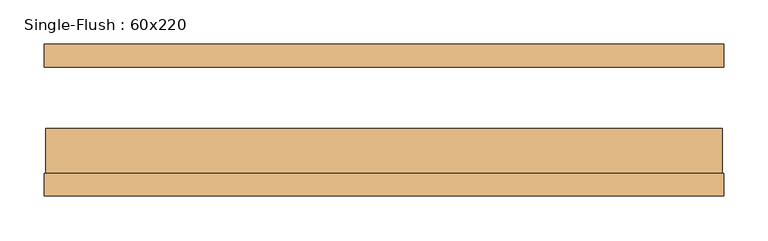
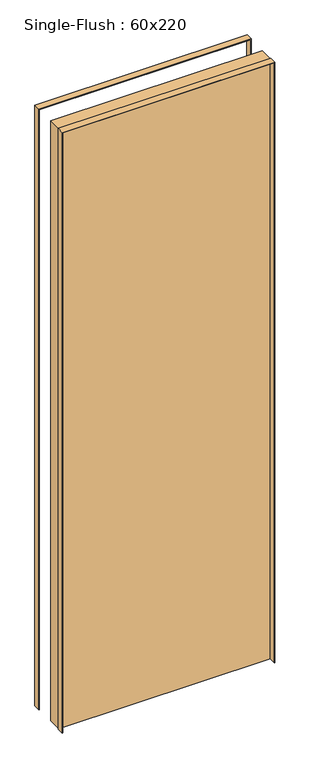
"""IFC4 building model written with IfcOpenShell, lengths in millimetres: door geometry, Single-Flush : 60x220."""

from ifc_helpers import new_model, si_unit, frame, origin, origin_with_axes, place, context, project, spatial, polyline, outline, extrude, source, transform, mapped, element, save


def single_flush_60x220_0c7d69e8(model_context):
    return source(origin(), model_context, "Body", "SweptSolid", [
        extrude(outline(polyline([(2281.5875, -381.5875), (0.0, -381.5875), (0.0, -380.0), (2280.0, -380.0), (2280.0, 380.0), (0.0, 380.0), (0.0, 381.5875), (2281.5875, 381.5875), (2281.5875, -381.5875)])), frame((0.0, -85.4, 0.0), z_axis=(0.0, 1.0, 0.0), x_axis=(0.0, 0.0, 1.0)), (0.0, 0.0, 1.0), 25.4),
        extrude(outline(polyline([(2281.5875, 381.5875), (2281.5875, -381.5875), (0.0, -381.5875), (0.0, -380.0), (2280.0, -380.0), (2280.0, 380.0), (0.0, 380.0), (0.0, 381.5875), (2281.5875, 381.5875)])), frame((0.0, 60.0, 0.0), z_axis=(0.0, 1.0, 0.0), x_axis=(0.0, 0.0, 1.0)), (0.0, 0.0, 1.0), 25.4),
        extrude(outline(polyline([(380.0, -9.2), (380.0, -60.0), (-380.0, -60.0), (-380.0, -9.2), (380.0, -9.2)])), origin_with_axes(), (0.0, 0.0, 1.0), 2280.0),
    ])


if __name__ == "__main__":
    model = new_model("IFC4")
    model_context = context("Model", 3, world=origin())
    ifc_project = project(units=[si_unit("LENGTHUNIT", "METRE", prefix="MILLI")], contexts=[model_context])
    site = spatial("IfcSite", under=ifc_project)
    building = spatial("IfcBuilding", under=site)
    placement = place(None, origin())
    single_flush_60x220_shape = single_flush_60x220_0c7d69e8(model_context)
    element("IfcDoor", 1, ObjectType="Single-Flush : 60x220", at=placement, inside=building, context=model_context, shape_type="MappedRepresentation", body=[
        mapped(single_flush_60x220_shape, transform((0.0, 0.0, 0.0), x_axis=(1.0, 0.0, 0.0), y_axis=(0.0, 1.0, 0.0), z_axis=(0.0, 0.0, 1.0))),
    ])
    save(model, "model.ifc")
